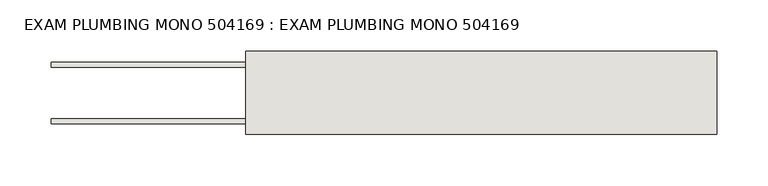
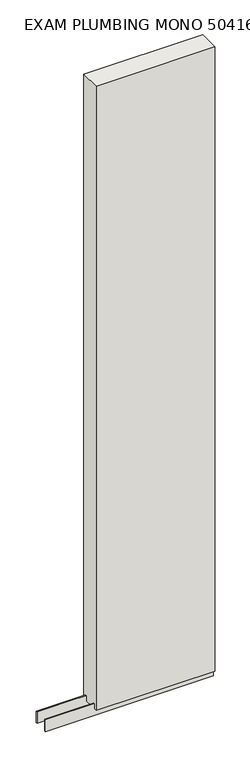
"""IFC4 building model written with IfcOpenShell, lengths in millimetres: wall geometry, EXAM PLUMBING MONO 504169 : EXAM PLUMBING MONO 504169."""

import ifcopenshell
import ifcopenshell.guid

model = None  # the IFC model being written
_history = None  # IfcOwnerHistory: only IFC2X3 demands one
_inside = {}  # id of a spatial element -> (the spatial element, [elements in it])
_under = {}  # id of a project, library or spatial element -> (it, [spatial elements below it])
_declared = {}  # id of a project -> (the project, [libraries it declares])
_typed = {}  # id of a type object -> (the type object, [elements of that type])
_made_of = {}  # id of a material, layer set ... -> (it, [elements and type objects made of it])


def new_model(schema):
    """Start an empty IFC model of exactly this schema.

    Asked for "IFC4X3", IfcOpenShell would pick the latest addendum, in which some entities
    have other attributes; the version numbers below select the first issue.
    IFC2X3 requires an IfcOwnerHistory on every rooted entity: one is made here for all.
    """
    global model, _history
    if schema == "IFC4X3":
        model = ifcopenshell.file(schema_version=(4, 3, 0, 0))
    else:
        model = ifcopenshell.file(schema=schema)
    _inside.clear()
    _under.clear()
    _declared.clear()
    _typed.clear()
    _made_of.clear()
    _history = None
    if model.schema == "IFC2X3":
        org = make("IfcOrganization", Name="unknown")
        user = make(
            "IfcPersonAndOrganization",
            ThePerson=make("IfcPerson", FamilyName="unknown"),
            TheOrganization=org,
        )
        app = make(
            "IfcApplication",
            ApplicationDeveloper=org,
            Version="unknown",
            ApplicationFullName="unknown",
            ApplicationIdentifier="unknown",
        )
        _history = make(
            "IfcOwnerHistory",
            OwningUser=user,
            OwningApplication=app,
            ChangeAction="ADDED",
            CreationDate=0,
        )
    return model


def make(cls, **values):
    """One entity of the class cls with the attributes given. An attribute that is None is left unset."""
    return model.create_entity(
        cls, **{name: value for name, value in values.items() if value is not None}
    )


def rooted(cls, **values):
    """An entity with a GlobalId (a new one), such as an element, a storey or a relation."""
    return make(cls, GlobalId=ifcopenshell.guid.new(), OwnerHistory=_history, **values)


def si_unit(unit_type, name, prefix=None):
    """IfcSIUnit, for example si_unit("LENGTHUNIT", "METRE", prefix="MILLI")."""
    return make("IfcSIUnit", UnitType=unit_type, Prefix=prefix, Name=name)


def assignment(units):
    """IfcUnitAssignment: the units of a project."""
    return None if units is None else make("IfcUnitAssignment", Units=units)


def point(xyz):
    """IfcCartesianPoint."""
    return None if xyz is None else make("IfcCartesianPoint", Coordinates=xyz)


def direction(xyz):
    """IfcDirection."""
    return None if xyz is None else make("IfcDirection", DirectionRatios=xyz)


def frame(location, z_axis=None, x_axis=None):
    """IfcAxis2Placement3D, a coordinate frame: its origin and axes. An axis left out is left unset."""
    return make(
        "IfcAxis2Placement3D",
        Location=point(location),
        Axis=direction(z_axis),
        RefDirection=direction(x_axis),
    )


def origin():
    """The frame at (0, 0, 0) with its axes left unset."""
    return frame((0.0, 0.0, 0.0))


def place(relative_to, where):
    """IfcLocalPlacement: puts the frame where relative to a parent placement (None: the world)."""
    return make(
        "IfcLocalPlacement", PlacementRelTo=relative_to, RelativePlacement=where
    )


def context(
    kind, dimensions, precision=None, world=None, true_north=None, identifier=None
):
    """IfcGeometricRepresentationContext, for example the 3D "Model" context."""
    return make(
        "IfcGeometricRepresentationContext",
        ContextIdentifier=identifier,
        ContextType=kind,
        CoordinateSpaceDimension=dimensions,
        Precision=precision,
        WorldCoordinateSystem=world,
        TrueNorth=true_north,
    )


def project(units=None, contexts=None):
    """IfcProject with its units and contexts."""
    return rooted(
        "IfcProject",
        Name="project",
        RepresentationContexts=contexts,
        UnitsInContext=assignment(units),
    )


def spatial(cls, under=None, at=None, **own):
    """A site, building, storey or space (cls), placed at a placement, below another one or the project."""
    s = rooted(cls, ObjectPlacement=at, **own)
    if under is not None:
        _under.setdefault(under.id(), (under, []))[1].append(s)
    return s


def polyline(points):
    """IfcPolyline through the points."""
    return make("IfcPolyline", Points=[point(p) for p in points])


def outline(outer, holes=None, kind="AREA"):
    """IfcArbitraryClosedProfileDef: a profile drawn as a closed curve; with holes, ...WithVoids."""
    if holes is None:
        return make("IfcArbitraryClosedProfileDef", ProfileType=kind, OuterCurve=outer)
    return make(
        "IfcArbitraryProfileDefWithVoids",
        ProfileType=kind,
        OuterCurve=outer,
        InnerCurves=holes,
    )


def extrude(swept, where, along, depth):
    """IfcExtrudedAreaSolid: the profile swept, set in the frame where, extruded along a direction by depth."""
    return make(
        "IfcExtrudedAreaSolid",
        SweptArea=swept,
        Position=where,
        ExtrudedDirection=direction(along),
        Depth=depth,
    )


def shape(context_of_items, identifier, shape_type, items):
    """IfcShapeRepresentation: the items that make up one representation, for example the "Body"."""
    return make(
        "IfcShapeRepresentation",
        ContextOfItems=context_of_items,
        RepresentationIdentifier=identifier,
        RepresentationType=shape_type,
        Items=items,
    )


def source(mapping_origin, context_of_items, identifier, shape_type, items):
    """IfcRepresentationMap: a shape defined once, which mapped items show again and again."""
    return make(
        "IfcRepresentationMap",
        MappingOrigin=mapping_origin,
        MappedRepresentation=shape(context_of_items, identifier, shape_type, items),
    )


def transform(
    local_origin,
    x_axis=None,
    y_axis=None,
    z_axis=None,
    scale=None,
    scale2=None,
    scale3=None,
    uniform=True,
):
    """IfcCartesianTransformationOperator3D, or its non-uniform kind. x_axis, y_axis, z_axis: its Axis1, 2, 3."""
    if uniform:
        return make(
            "IfcCartesianTransformationOperator3D",
            Axis1=direction(x_axis),
            Axis2=direction(y_axis),
            LocalOrigin=point(local_origin),
            Scale=scale,
            Axis3=direction(z_axis),
        )
    return make(
        "IfcCartesianTransformationOperator3DnonUniform",
        Axis1=direction(x_axis),
        Axis2=direction(y_axis),
        LocalOrigin=point(local_origin),
        Scale=scale,
        Axis3=direction(z_axis),
        Scale2=scale2,
        Scale3=scale3,
    )


def mapped(mapping_source, mapping_target):
    """IfcMappedItem: shows the shape of a source again, moved by a transform."""
    return make(
        "IfcMappedItem", MappingSource=mapping_source, MappingTarget=mapping_target
    )


def made_of(thing, what):
    """Note that an element or type object is made of a material, layer set ...; save() writes the relation."""
    if what is not None:
        _made_of.setdefault(what.id(), (what, []))[1].append(thing)
    return thing


def element(
    cls,
    number,
    at=None,
    inside=None,
    cuts=None,
    type_object=None,
    material=None,
    context=None,
    identifier="Body",
    shape_type=None,
    held_by="IfcProductDefinitionShape",
    body=None,
    shapes=None,
    **own,
):
    """One element of the class cls, such as IfcWall. Its Tag is "e" and its number.

    at: its placement. inside: the storey or other place that contains it. cuts: it is an
    opening in that element (IfcRelVoidsElement). A single representation is given by context,
    identifier, shape_type and body (its items); several are given by shapes. held_by: the class
    of the entity that holds the representations. save() writes the other relations.
    """
    e = rooted(cls, Tag="e%d" % number, ObjectPlacement=at, **own)
    if body is not None:
        shapes = [shape(context, identifier, shape_type, body)]
    if shapes is not None:
        e.Representation = make(held_by, Representations=shapes)
    if inside is not None:
        _inside.setdefault(inside.id(), (inside, []))[1].append(e)
    if cuts is not None:
        rooted(
            "IfcRelVoidsElement", RelatingBuildingElement=cuts, RelatedOpeningElement=e
        )
    if type_object is not None:
        _typed.setdefault(type_object.id(), (type_object, []))[1].append(e)
    return made_of(e, material)


def aggregate(whole, parts):
    """IfcRelAggregates: a whole, such as a stair, and the parts it consists of."""
    return rooted("IfcRelAggregates", RelatingObject=whole, RelatedObjects=parts)


def save(model, path):
    """Write the relations noted so far, then the file.

    IfcRelAggregates (storeys below a building ...), IfcRelContainedInSpatialStructure (elements
    in a storey), IfcRelDefinesByType, IfcRelAssociatesMaterial and IfcRelDeclares: one each for
    every whole, place, type object, material and project.
    """
    for whole, parts in _under.values():
        aggregate(whole, parts)
    for where, things in _inside.values():
        rooted(
            "IfcRelContainedInSpatialStructure",
            RelatedElements=things,
            RelatingStructure=where,
        )
    for kind, things in _typed.values():
        rooted("IfcRelDefinesByType", RelatedObjects=things, RelatingType=kind)
    for what, things in _made_of.values():
        rooted("IfcRelAssociatesMaterial", RelatedObjects=things, RelatingMaterial=what)
    for by, libraries in _declared.values():
        rooted("IfcRelDeclares", RelatingContext=by, RelatedDefinitions=libraries)
    model.write(path)


def exam_plumbing_mono_504169_exam_plumbing_mono_504169_9f9de15a(model_context):
    return source(origin(), model_context, "Body", "SweptSolid", [
        extrude(outline(polyline([(50556.2493064, -53342.677668), (50553.7093064, -53342.677668), (50553.7093064, -53340.137668), (50556.2493064, -53340.137668), (50556.2493064, -53342.677668)])), frame((0.0, 0.0, 4419.6), z_axis=(0.0, 0.0, 1.0), x_axis=(1.0, 0.0, 0.0)), (0.0, 0.0, 1.0), 2.54),
        extrude(outline(polyline([(51014.603965, -53316.330121), (50363.220457, -53316.330121), (50363.220457, -53311.245168), (51014.603965, -53311.245168), (51014.603965, -53316.330121)])), frame((0.0, 0.0, 4418.6602), z_axis=(0.0, 0.0, 1.0), x_axis=(1.0, 0.0, 0.0)), (0.0, 0.0, 1.0), 47.625),
        extrude(outline(polyline([(51014.603965, -53316.330121), (50363.220457, -53316.330121), (50363.220457, -53311.245168), (51014.603965, -53311.245168), (51014.603965, -53316.330121)])), frame((0.0, 0.0, 4418.6602), z_axis=(0.0, 0.0, 1.0), x_axis=(1.0, 0.0, 0.0)), (0.0, 0.0, 1.0), 47.625),
        extrude(outline(polyline([(50363.220457, -53366.4914126), (51014.603965, -53366.4914126), (51014.603965, -53371.570168), (50363.220457, -53371.570168), (50363.220457, -53366.4914126)])), frame((0.0, 0.0, 4418.6602), z_axis=(0.0, 0.0, 1.0), x_axis=(1.0, 0.0, 0.0)), (0.0, 0.0, 1.0), 47.625),
        extrude(outline(polyline([(50363.220457, -53366.4914126), (51014.603965, -53366.4914126), (51014.603965, -53371.570168), (50363.220457, -53371.570168), (50363.220457, -53366.4914126)])), frame((0.0, 0.0, 4418.6602), z_axis=(0.0, 0.0, 1.0), x_axis=(1.0, 0.0, 0.0)), (0.0, 0.0, 1.0), 47.625),
        extrude(outline(polyline([(51014.603965, -53300.7589812), (51014.603965, -53382.0625524), (50553.720457, -53382.0625524), (50553.720457, -53300.7589812), (51014.603965, -53300.7589812)])), frame((0.0, 0.0, 4445.0), z_axis=(0.0, 0.0, 1.0), x_axis=(1.0, 0.0, 0.0)), (0.0, 0.0, 1.0), 2562.4536762),
    ])


if __name__ == "__main__":
    model = new_model("IFC4")
    model_context = context("Model", 3, world=origin())
    ifc_project = project(units=[si_unit("LENGTHUNIT", "METRE", prefix="MILLI")], contexts=[model_context])
    site = spatial("IfcSite", under=ifc_project)
    building = spatial("IfcBuilding", under=site)
    placement = place(None, origin())
    exam_plumbing_mono_504169_exam_plumbing_mono_504169_shape = exam_plumbing_mono_504169_exam_plumbing_mono_504169_9f9de15a(model_context)
    element("IfcWall", 1, ObjectType="EXAM PLUMBING MONO 504169 : EXAM PLUMBING MONO 504169", at=placement, inside=building, context=model_context, shape_type="MappedRepresentation", body=[
        mapped(exam_plumbing_mono_504169_exam_plumbing_mono_504169_shape, transform((0.0, 0.0, 0.0), x_axis=(1.0, 0.0, 0.0), y_axis=(0.0, 1.0, 0.0), z_axis=(0.0, 0.0, 1.0))),
    ])
    save(model, "model.ifc")
